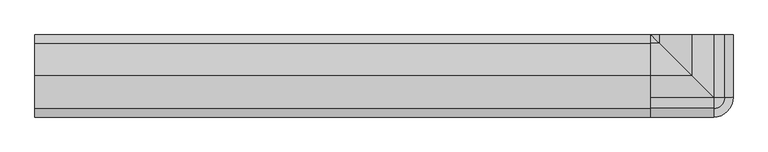
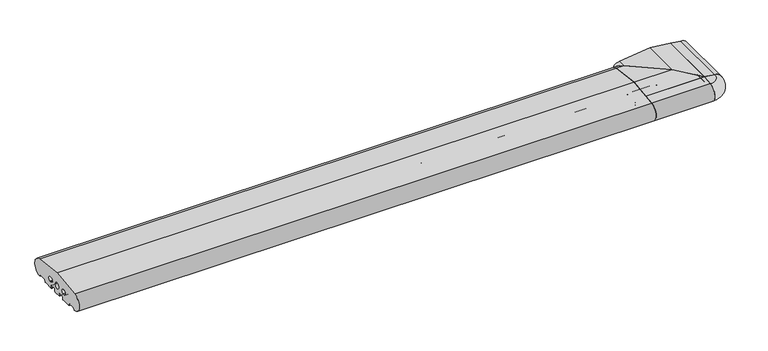
"""IFC4 building model written with IfcOpenShell, lengths in millimetres: proxy geometry."""

from ifc_helpers import new_model, si_unit, point, frame, frame_2d, origin, place, context, project, spatial, polyline, circle_curve, ellipse_curve, trimmed, segment, composite_curve, outline, extrude, source, transform, mapped, element, save
from ifc_brep_helpers import plane_surface, cylinder_surface, revolved_surface, advanced_brep


def generic_models_e143d6ee(model_context):
    return source(origin(), model_context, "Body", "SolidModel", [
        advanced_brep(
        [(1708.0, 50.0, 0.0), (1707.0, 50.0, 1.0), (1707.0, 50.0, 7.0), (1705.0, 50.0, 9.0), (1692.0, 50.0, 9.0), (1690.0, 50.0, 7.0), (1690.0, 50.0, 1.0), (1689.0, 50.0, 0.0), (1671.0, 50.0, 0.0), (1670.0, 50.0, 1.0), (1670.0, 50.0, 7.0), (1668.0, 50.0, 9.0), (1655.0, 50.0, 9.0), (1653.0, 50.0, 7.0), (1653.0, 50.0, 1.0), (1652.0, 50.0, 0.0), (1625.5773503, 50.0, 0.0), (1624.7113249, 50.0, 0.5), (1621.2472233, 50.0, 6.5), (1619.5151724, 50.0, 7.5), (1603.0414519, 50.0, 7.5), (1601.3094011, 50.0, 6.5), (1599.2927999, 50.0, 3.0071443), (1598.4018517, 50.0, 2.5074549), (1596.9141927, 50.0, 50.4091909), (1680.0, 50.0, 60.4), (1735.0, 50.0, 53.7864216), (1735.0, 50.0, 0.0), (1709.3659949, 50.0, 17.8353497), (1712.6340051, 50.0, 17.8353497), (1712.6340051, 50.0, 29.8353497), (1709.3659949, 50.0, 29.8353497), (1687.9623451, 50.0, 23.8353497), (1672.0376549, 50.0, 23.8353497), (1650.6340051, 50.0, 17.8353497), (1650.6340051, 50.0, 29.8353497), (1647.3659949, 50.0, 29.8353497), (1647.3659949, 50.0, 17.8353497), (1735.0, -110.0, 0.0), (1708.0, -83.0, 0.0), (1735.0, -110.0, 53.7864216), (1680.0, -55.0, 60.4), (1596.9141927, 28.0858073, 50.4091909), (1598.4018517, 26.5981483, 2.5074549), (1599.2927999, 25.7072001, 3.0071443), (1601.3094011, 23.6905989, 6.5), (1603.0414519, 21.9585481, 7.5), (1619.5151724, 5.4848276, 7.5), (1621.2472233, 3.7527767, 6.5), (1624.7113249, 0.2886751, 0.5), (1625.5773503, -0.5773503, 0.0), (1652.0, -27.0, 0.0), (1653.0, -28.0, 1.0), (1653.0, -28.0, 7.0), (1655.0, -30.0, 9.0), (1668.0, -43.0, 9.0), (1670.0, -45.0, 7.0), (1670.0, -45.0, 1.0), (1671.0, -46.0, 0.0), (1689.0, -64.0, 0.0), (1690.0, -65.0, 1.0), (1690.0, -65.0, 7.0), (1692.0, -67.0, 9.0), (1705.0, -80.0, 9.0), (1707.0, -82.0, 7.0), (1707.0, -82.0, 1.0), (1709.3659949, -84.3659949, 29.8353497), (1709.3659949, -84.3659949, 17.8353497), (1712.6340051, -87.6340051, 29.8353497), (1712.6340051, -87.6340051, 17.8353497), (1672.0376549, -47.0376549, 23.8353497), (1687.9623451, -62.9623451, 23.8353497), (1647.3659949, -22.3659949, 17.8353497), (1650.6340051, -25.6340051, 17.8353497), (1647.3659949, -22.3659949, 29.8353497), (1650.6340051, -25.6340051, 29.8353497)],
        [
            (0, 1, circle_curve(frame((1708.0, 50.0, 1.0), z_axis=(0.0, 1.0, 0.0), x_axis=(0.0, 0.0, -1.0)), 1.0)),
            (1, 2),
            (2, 3, circle_curve(frame((1705.0, 50.0, 7.0), z_axis=(0.0, -1.0, 0.0), x_axis=(1.0, 0.0, 0.0)), 2.0)),
            (3, 4),
            (4, 5, circle_curve(frame((1692.0, 50.0, 7.0), z_axis=(0.0, -1.0, 0.0), x_axis=(0.0, 0.0, 1.0)), 2.0)),
            (5, 6),
            (6, 7, circle_curve(frame((1689.0, 50.0, 1.0), z_axis=(0.0, 1.0, 0.0), x_axis=(1.0, 0.0, 0.0)), 1.0)),
            (7, 8),
            (8, 9, circle_curve(frame((1671.0, 50.0, 1.0), z_axis=(0.0, 1.0, 0.0), x_axis=(-1.0, 0.0, 0.0)), 1.0)),
            (9, 10),
            (10, 11, circle_curve(frame((1668.0, 50.0, 7.0), z_axis=(0.0, -1.0, 0.0), x_axis=(0.0, 0.0, 1.0)), 2.0)),
            (11, 12),
            (12, 13, circle_curve(frame((1655.0, 50.0, 7.0), z_axis=(0.0, -1.0, 0.0), x_axis=(-1.0, 0.0, 0.0)), 2.0)),
            (13, 14),
            (14, 15, circle_curve(frame((1652.0, 50.0, 1.0), z_axis=(0.0, 1.0, 0.0), x_axis=(0.0, 0.0, -1.0)), 1.0)),
            (15, 16),
            (16, 17, circle_curve(frame((1625.5773503, 50.0, 1.0), z_axis=(0.0, 1.0, 0.0), x_axis=(-0.8660254037844339, 0.0, -0.5000000000000082)), 1.0)),
            (17, 18),
            (18, 19, circle_curve(frame((1619.5151724, 50.0, 5.5), z_axis=(0.0, -1.0, 0.0), x_axis=(0.0, 0.0, 1.0)), 2.0)),
            (19, 20),
            (20, 21, circle_curve(frame((1603.0414519, 50.0, 5.5), z_axis=(0.0, -1.0, 0.0), x_axis=(-0.8660254037844379, 0.0, 0.5000000000000012)), 2.0)),
            (21, 22),
            (22, 23, circle_curve(frame((1598.4267745, 50.0, 3.5071443), z_axis=(0.0, 1.0, 0.0), x_axis=(-0.024922847684081085, 0.0, -0.999689377588517)), 1.0)),
            (23, 24, circle_curve(frame((1599.0, 50.0, 26.5), z_axis=(0.0, 1.0, 0.0), x_axis=(-0.08690863944627836, 0.0, 0.9962162859487877)), 24.0)),
            (24, 25),
            (25, 26),
            (26, 27),
            (27, 0),
            (28, 29),
            (29, 30, circle_curve(frame((1713.0037949, 50.0, 23.8353497), z_axis=(0.0, -1.0, 0.0), x_axis=(-0.061514911664663253, 0.0, -0.9981061645150223)), 6.0113846)),
            (30, 31),
            (31, 28, circle_curve(frame((1708.9962051, 50.0, 23.8353497), z_axis=(0.0, -1.0, 0.0), x_axis=(0.061514911664729485, 0.0, 0.9981061645150182)), 6.0113846)),
            (32, 33, circle_curve(frame((1680.0, 50.0, 23.8353497), z_axis=(0.0, -1.0, 0.0), x_axis=(-1.0, 0.0, 0.0)), 7.9623451)),
            (33, 32, circle_curve(frame((1680.0, 50.0, 23.8353497), z_axis=(0.0, -1.0, 0.0), x_axis=(-1.0, 0.0, 0.0)), 7.9623451)),
            (34, 35, circle_curve(frame((1651.0037949, 50.0, 23.8353497), z_axis=(0.0, -1.0, 0.0), x_axis=(-0.061514911664729485, 0.0, 0.9981061645150182)), 6.0113846)),
            (35, 36),
            (36, 37, circle_curve(frame((1646.9962051, 50.0, 23.8353497), z_axis=(0.0, -1.0, 0.0), x_axis=(0.061514911664663253, 0.0, -0.9981061645150223)), 6.0113846)),
            (37, 34),
            (27, 38),
            (38, 39),
            (39, 0),
            (26, 40),
            (40, 38),
            (25, 41),
            (41, 40),
            (24, 42),
            (42, 41),
            (23, 43),
            (43, 42, ellipse_curve(frame((1599.0, 26.0, 26.5), z_axis=(0.7071067811865491, 0.707106781186546, 0.0), x_axis=(0.707106781186546, -0.7071067811865491, 0.0)), 33.9411255, 24.0)),
            (22, 44),
            (44, 43, ellipse_curve(frame((1598.4267745, 26.5732255, 3.5071443), z_axis=(0.7071067811865491, 0.707106781186546, 0.0), x_axis=(0.707106781186546, -0.7071067811865491, 0.0)), 1.4142136, 1.0)),
            (21, 45),
            (45, 44),
            (20, 46),
            (46, 45, ellipse_curve(frame((1603.0414519, 21.9585481, 5.5), z_axis=(-0.7071067811865491, -0.707106781186546, 0.0), x_axis=(-0.707106781186546, 0.7071067811865491, 0.0)), 2.8284271, 2.0)),
            (19, 47),
            (47, 46),
            (18, 48),
            (48, 47, ellipse_curve(frame((1619.5151724, 5.4848276, 5.5), z_axis=(-0.7071067811865491, -0.707106781186546, 0.0), x_axis=(-0.707106781186546, 0.7071067811865491, 0.0)), 2.8284271, 2.0)),
            (17, 49),
            (49, 48),
            (16, 50),
            (50, 49, ellipse_curve(frame((1625.5773503, -0.5773503, 1.0), z_axis=(0.7071067811865491, 0.707106781186546, 0.0), x_axis=(0.707106781186546, -0.7071067811865491, 0.0)), 1.4142136, 1.0)),
            (15, 51),
            (51, 50),
            (14, 52),
            (52, 51, ellipse_curve(frame((1652.0, -27.0, 1.0), z_axis=(0.7071067811865491, 0.707106781186546, 0.0), x_axis=(0.707106781186546, -0.7071067811865491, 0.0)), 1.4142136, 1.0)),
            (13, 53),
            (53, 52),
            (12, 54),
            (54, 53, ellipse_curve(frame((1655.0, -30.0, 7.0), z_axis=(-0.7071067811865491, -0.707106781186546, 0.0), x_axis=(-0.707106781186546, 0.7071067811865491, 0.0)), 2.8284271, 2.0)),
            (11, 55),
            (55, 54),
            (10, 56),
            (56, 55, ellipse_curve(frame((1668.0, -43.0, 7.0), z_axis=(-0.7071067811865491, -0.707106781186546, 0.0), x_axis=(-0.707106781186546, 0.7071067811865491, 0.0)), 2.8284271, 2.0)),
            (9, 57),
            (57, 56),
            (8, 58),
            (58, 57, ellipse_curve(frame((1671.0, -46.0, 1.0), z_axis=(0.7071067811865491, 0.707106781186546, 0.0), x_axis=(0.707106781186546, -0.7071067811865491, 0.0)), 1.4142136, 1.0)),
            (7, 59),
            (59, 58),
            (6, 60),
            (60, 59, ellipse_curve(frame((1689.0, -64.0, 1.0), z_axis=(0.7071067811865491, 0.707106781186546, 0.0), x_axis=(0.707106781186546, -0.7071067811865491, 0.0)), 1.4142136, 1.0)),
            (5, 61),
            (61, 60),
            (4, 62),
            (62, 61, ellipse_curve(frame((1692.0, -67.0, 7.0), z_axis=(-0.7071067811865491, -0.707106781186546, 0.0), x_axis=(-0.707106781186546, 0.7071067811865491, 0.0)), 2.8284271, 2.0)),
            (3, 63),
            (63, 62),
            (2, 64),
            (64, 63, ellipse_curve(frame((1705.0, -80.0, 7.0), z_axis=(-0.7071067811865491, -0.707106781186546, 0.0), x_axis=(-0.707106781186546, 0.7071067811865491, 0.0)), 2.8284271, 2.0)),
            (1, 65),
            (65, 64),
            (39, 65, ellipse_curve(frame((1708.0, -83.0, 1.0), z_axis=(0.7071067811865491, 0.707106781186546, 0.0), x_axis=(0.707106781186546, -0.7071067811865491, 0.0)), 1.4142136, 1.0)),
            (31, 66),
            (66, 67, ellipse_curve(frame((1708.9962051, -83.9962051, 23.8353497), z_axis=(-0.7071067811865491, -0.707106781186546, 0.0), x_axis=(-0.707106781186546, 0.7071067811865491, 0.0)), 8.5013816, 6.0113846)),
            (67, 28),
            (30, 68),
            (68, 66),
            (29, 69),
            (69, 68, ellipse_curve(frame((1713.0037949, -88.0037949, 23.8353497), z_axis=(-0.7071067811865491, -0.707106781186546, 0.0), x_axis=(-0.707106781186546, 0.7071067811865491, 0.0)), 8.5013816, 6.0113846)),
            (67, 69),
            (33, 70),
            (70, 71, ellipse_curve(frame((1680.0, -55.0, 23.8353497), z_axis=(-0.7071067811865491, -0.707106781186546, 0.0), x_axis=(-0.707106781186546, 0.7071067811865491, 0.0)), 11.2604564, 7.9623451)),
            (71, 32),
            (71, 70, ellipse_curve(frame((1680.0, -55.0, 23.8353497), z_axis=(-0.7071067811865491, -0.707106781186546, 0.0), x_axis=(-0.707106781186546, 0.7071067811865491, 0.0)), 11.2604564, 7.9623451)),
            (37, 72),
            (72, 73),
            (73, 34),
            (36, 74),
            (74, 72, ellipse_curve(frame((1646.9962051, -21.9962051, 23.8353497), z_axis=(-0.7071067811865491, -0.707106781186546, 0.0), x_axis=(-0.707106781186546, 0.7071067811865491, 0.0)), 8.5013816, 6.0113846)),
            (35, 75),
            (75, 74),
            (73, 75, ellipse_curve(frame((1651.0037949, -26.0037949, 23.8353497), z_axis=(-0.7071067811865491, -0.707106781186546, 0.0), x_axis=(-0.707106781186546, 0.7071067811865491, 0.0)), 8.5013816, 6.0113846)),
        ],
        [
            plane_surface(frame((1625.0, 50.0, 0.0), z_axis=(0.0, 1.0, 0.0), x_axis=(0.0, 0.0, 1.0))),
            plane_surface(frame((1708.0, -110.0, 0.0), z_axis=(0.0, 0.0, -1.0), x_axis=(0.0, 1.0, 0.0))),
            plane_surface(frame((1735.0, -110.0, 0.0), z_axis=(1.0, 0.0, 0.0), x_axis=(0.0, 1.0, 0.0))),
            plane_surface(frame((1735.0, -110.0, 53.7864216), z_axis=(0.11938685218914781, 0.0, 0.9928478128718251), x_axis=(0.0, 1.0, 0.0))),
            plane_surface(frame((1680.0, -110.0, 60.4), z_axis=(-0.11938685218914852, 0.0, 0.992847812871825), x_axis=(0.0, 1.0, 0.0))),
            cylinder_surface(frame((1599.0, -110.0, 26.5), z_axis=(0.0, -1.0, 0.0), x_axis=(-0.08690863944627836, 0.0, 0.9962162859487877)), 24.0),
            cylinder_surface(frame((1598.4267745, -110.0, 3.5071443), z_axis=(0.0, -1.0000000000000002, 0.0), x_axis=(-0.024922847684081085, 0.0, -0.999689377588517)), 1.0),
            plane_surface(frame((1599.2927999, -110.0, 3.0071443), z_axis=(0.8660254037844368, 0.0, -0.5000000000000032), x_axis=(0.0, 1.0, 0.0))),
            revolved_surface(polyline([(1601.3094010924312, 50.0, 6.500000000000003), (1601.3094010924312, 19.958548117498196, 6.500000000000003)]), (1603.0414519, -110.0, 5.5), (0.0, 1.0, 0.0)),
            plane_surface(frame((1603.0414519, -110.0, 7.5), z_axis=(0.0, 0.0, -1.0), x_axis=(0.0, 1.0, 0.0))),
            revolved_surface(polyline([(1619.5151724, 50.0, 7.5), (1619.5151724, 3.4848276174981976, 7.5)]), (1619.5151724, -110.0, 5.5), (0.0, 1.0, 0.0)),
            plane_surface(frame((1621.2472233, -110.0, 6.5), z_axis=(-0.8660254037844349, 0.0, -0.5000000000000064), x_axis=(0.0, 1.0, 0.0))),
            cylinder_surface(frame((1625.5773503, -110.0, 1.0), z_axis=(0.0, -1.0, 0.0), x_axis=(-0.8660254037844339, 0.0, -0.5000000000000082)), 1.0),
            plane_surface(frame((1625.5773503, -110.0, 0.0), z_axis=(0.0, 0.0, -1.0), x_axis=(0.0, 1.0, 0.0))),
            cylinder_surface(frame((1652.0, -110.0, 1.0), z_axis=(0.0, -1.0, 0.0), x_axis=(0.0, 0.0, -1.0)), 1.0),
            plane_surface(frame((1653.0, -110.0, 1.0), z_axis=(1.0, 0.0, 0.0), x_axis=(0.0, 1.0, 0.0))),
            revolved_surface(polyline([(1653.0, 50.0, 7.0), (1653.0, -31.999999982501805, 7.0)]), (1655.0, -110.0, 7.0), (0.0, 1.0, 0.0)),
            plane_surface(frame((1655.0, -110.0, 9.0), z_axis=(0.0, 0.0, -1.0), x_axis=(0.0, 1.0, 0.0))),
            revolved_surface(polyline([(1668.0, 50.0, 9.0), (1668.0, -45.0, 9.0)]), (1668.0, -110.0, 7.0), (0.0, 1.0, 0.0)),
            plane_surface(frame((1670.0, -110.0, 7.0), z_axis=(-1.0, 0.0, 0.0), x_axis=(0.0, 1.0, 0.0))),
            cylinder_surface(frame((1671.0, -110.0, 1.0), z_axis=(0.0, -1.0, 0.0), x_axis=(-1.0, 0.0, 0.0)), 1.0),
            plane_surface(frame((1680.0, -110.0, 0.0), z_axis=(0.0, 0.0, -1.0), x_axis=(0.0, 1.0, 0.0))),
            cylinder_surface(frame((1689.0, -110.0, 1.0), z_axis=(0.0, -1.0, 0.0), x_axis=(1.0, 0.0, 0.0)), 1.0),
            plane_surface(frame((1690.0, -110.0, 1.0), z_axis=(1.0, 0.0, 0.0), x_axis=(0.0, 1.0, 0.0))),
            revolved_surface(polyline([(1692.0, 50.0, 9.0), (1692.0, -68.9999999825018, 9.0)]), (1692.0, -110.0, 7.0), (0.0, 1.0, 0.0)),
            plane_surface(frame((1692.0, -110.0, 9.0), z_axis=(0.0, 0.0, -1.0), x_axis=(0.0, 1.0, 0.0))),
            revolved_surface(polyline([(1707.0, 50.0, 7.0), (1707.0, -82.0, 7.0)]), (1705.0, -110.0, 7.0), (0.0, 1.0, 0.0)),
            plane_surface(frame((1707.0, -110.0, 7.0), z_axis=(-1.0, 0.0, 0.0), x_axis=(0.0, 1.0, 0.0))),
            cylinder_surface(frame((1708.0, -110.0, 1.0), z_axis=(0.0, -1.0, 0.0), x_axis=(0.0, 0.0, -1.0)), 1.0),
            revolved_surface(polyline([(1709.3659948926518, 50.0, 29.835349726530644), (1709.3659948926518, -90.00758967881455, 29.835349726530644)]), (1708.9962051, -110.0, 23.8353497), (0.0, 1.0, 0.0)),
            plane_surface(frame((1709.3659949, -110.0, 29.8353497), z_axis=(0.0, 0.0, -1.0), x_axis=(0.0, 1.0, 0.0))),
            revolved_surface(polyline([(1712.6340051073487, 50.00000000000006, 17.835349673469327), (1712.6340051073487, -94.01517947881456, 17.835349673469327)]), (1713.0037949, -110.0, 23.8353497), (0.0, 1.0000000000000002, 0.0)),
            plane_surface(frame((1712.6340051, -110.0, 17.8353497), z_axis=(0.0, 0.0, 1.0), x_axis=(0.0, 1.0, 0.0))),
            revolved_surface(polyline([(1672.0376549, 50.0, 23.8353497), (1672.0376549, -62.9623451, 23.8353497)]), (1680.0, -110.0, 23.8353497), (0.0, 1.0, 0.0)),
            plane_surface(frame((1650.6340051, -110.0, 17.8353497), z_axis=(0.0, 0.0, 1.0), x_axis=(0.0, 1.0, 0.0))),
            revolved_surface(polyline([(1647.3659948926513, 50.00000000000006, 17.835349673469327), (1647.3659948926513, -28.007589678814526, 17.835349673469327)]), (1646.9962051, -110.0, 23.8353497), (0.0, 1.0000000000000002, 0.0)),
            plane_surface(frame((1647.3659949, -110.0, 29.8353497), z_axis=(0.0, 0.0, -1.0), x_axis=(0.0, 1.0, 0.0))),
            revolved_surface(polyline([(1650.6340051073482, 50.0, 29.835349726530644), (1650.6340051073482, -32.01517947881456, 29.835349726530644)]), (1651.0037949, -110.0, 23.8353497), (0.0, 1.0, 0.0)),
            plane_surface(frame((1528.7899832, 96.2100168, 85.0), z_axis=(-0.7071067811865491, -0.707106781186546, 0.0), x_axis=(0.707106781186546, -0.7071067811865491, 0.0))),
        ],
        [
            (0, [[1, 2, 3, 4, 5, 6, 7, 8, 9, 10, 11, 12, 13, 14, 15, 16, 17, 18, 19, 20, 21, 22, 23, 24, 25, 26, 27, 28], [29, 30, 31, 32], [33, 34], [35, 36, 37, 38]]),
            (1, [[-28, 39, 40, 41]]),
            (2, [[-27, 42, 43, -39]]),
            (3, [[-26, 44, 45, -42]]),
            (4, [[-25, 46, 47, -44]]),
            (5, [[-24, 48, 49, -46]]),
            (6, [[-23, 50, 51, -48]]),
            (7, [[-22, 52, 53, -50]]),
            (8, [[-21, 54, 55, -52]]),
            (9, [[-20, 56, 57, -54]]),
            (10, [[-19, 58, 59, -56]]),
            (11, [[-18, 60, 61, -58]]),
            (12, [[-17, 62, 63, -60]]),
            (13, [[-16, 64, 65, -62]]),
            (14, [[-15, 66, 67, -64]]),
            (15, [[-14, 68, 69, -66]]),
            (16, [[-13, 70, 71, -68]]),
            (17, [[-12, 72, 73, -70]]),
            (18, [[-11, 74, 75, -72]]),
            (19, [[-10, 76, 77, -74]]),
            (20, [[-9, 78, 79, -76]]),
            (21, [[-8, 80, 81, -78]]),
            (22, [[-7, 82, 83, -80]]),
            (23, [[-6, 84, 85, -82]]),
            (24, [[-5, 86, 87, -84]]),
            (25, [[-4, 88, 89, -86]]),
            (26, [[-3, 90, 91, -88]]),
            (27, [[-2, 92, 93, -90]]),
            (28, [[-1, -41, 94, -92]]),
            (29, [[-32, 95, 96, 97]]),
            (30, [[-31, 98, 99, -95]]),
            (31, [[-30, 100, 101, -98]]),
            (32, [[-29, -97, 102, -100]]),
            (33, [[-34, 103, 104, 105]]),
            (33, [[-33, -105, 106, -103]]),
            (34, [[-38, 107, 108, 109]]),
            (35, [[-37, 110, 111, -107]]),
            (36, [[-36, 112, 113, -110]]),
            (37, [[-35, -109, 114, -112]]),
            (38, [[-40, -43, -45, -47, -49, -51, -53, -55, -57, -59, -61, -63, -65, -67, -69, -71, -73, -75, -77, -79, -81, -83, -85, -87, -89, -91, -93, -94], [-96, -99, -101, -102], [-104, -106], [-108, -111, -113, -114]]),
        ],
    ),
        advanced_brep(
        [(1575.0, -83.0, 0.0), (1575.0, -110.0, 0.0), (1575.0, -110.0, 53.7864216), (1575.0, -55.0, 60.4), (1575.0, 28.0858073, 50.4091909), (1575.0, 26.5981483, 2.5074549), (1575.0, 25.7072001, 3.0071443), (1575.0, 23.6905989, 6.5), (1575.0, 21.9585481, 7.5), (1575.0, 5.4848276, 7.5), (1575.0, 3.7527767, 6.5), (1575.0, 0.2886751, 0.5), (1575.0, -0.5773503, 0.0), (1575.0, -27.0, 0.0), (1575.0, -28.0, 1.0), (1575.0, -28.0, 7.0), (1575.0, -30.0, 9.0), (1575.0, -43.0, 9.0), (1575.0, -45.0, 7.0), (1575.0, -45.0, 1.0), (1575.0, -46.0, 0.0), (1575.0, -64.0, 0.0), (1575.0, -65.0, 1.0), (1575.0, -65.0, 7.0), (1575.0, -67.0, 9.0), (1575.0, -80.0, 9.0), (1575.0, -82.0, 7.0), (1575.0, -82.0, 1.0), (1575.0, -84.3659949, 17.8353497), (1575.0, -84.3659949, 29.8353497), (1575.0, -87.6340051, 29.8353497), (1575.0, -87.6340051, 17.8353497), (1575.0, -62.9623451, 23.8353497), (1575.0, -47.0376549, 23.8353497), (1575.0, -25.6340051, 17.8353497), (1575.0, -22.3659949, 17.8353497), (1575.0, -22.3659949, 29.8353497), (1575.0, -25.6340051, 29.8353497), (1735.0, -110.0, 53.7864216), (1680.0, -55.0, 60.4), (1596.9141927, 28.0858073, 50.4091909), (1735.0, -110.0, 0.0), (1625.5773503, -0.5773503, 0.0), (1652.0, -27.0, 0.0), (1653.0, -28.0, 1.0), (1653.0, -28.0, 7.0), (1655.0, -30.0, 9.0), (1668.0, -43.0, 9.0), (1670.0, -45.0, 7.0), (1670.0, -45.0, 1.0), (1671.0, -46.0, 0.0), (1689.0, -64.0, 0.0), (1690.0, -65.0, 1.0), (1690.0, -65.0, 7.0), (1692.0, -67.0, 9.0), (1705.0, -80.0, 9.0), (1707.0, -82.0, 7.0), (1707.0, -82.0, 1.0), (1708.0, -83.0, 0.0), (1709.3659949, -84.3659949, 17.8353497), (1709.3659949, -84.3659949, 29.8353497), (1712.6340051, -87.6340051, 29.8353497), (1712.6340051, -87.6340051, 17.8353497), (1687.9623451, -62.9623451, 23.8353497), (1672.0376549, -47.0376549, 23.8353497), (1650.6340051, -25.6340051, 17.8353497), (1647.3659949, -22.3659949, 17.8353497), (1647.3659949, -22.3659949, 29.8353497), (1650.6340051, -25.6340051, 29.8353497), (1598.4018517, 26.5981483, 2.5074549), (1599.2927999, 25.7072001, 3.0071443), (1601.3094011, 23.6905989, 6.5), (1603.0414519, 21.9585481, 7.5), (1619.5151724, 5.4848276, 7.5), (1621.2472233, 3.7527767, 6.5), (1624.7113249, 0.2886751, 0.5)],
        [
            (0, 1),
            (1, 2),
            (2, 3),
            (3, 4),
            (4, 5, circle_curve(frame((1575.0, 26.0, 26.5), z_axis=(-1.0, 0.0, 0.0), x_axis=(0.0, 0.08690863944627836, 0.9962162859487877)), 24.0)),
            (5, 6, circle_curve(frame((1575.0, 26.5732255, 3.5071443), z_axis=(-1.0, 0.0, 0.0), x_axis=(0.0, 0.024922847684081085, -0.999689377588517)), 1.0)),
            (6, 7),
            (7, 8, circle_curve(frame((1575.0, 21.9585481, 5.5), z_axis=(1.0, 0.0, 0.0), x_axis=(0.0, 0.8660254037844379, 0.5000000000000012)), 2.0)),
            (8, 9),
            (9, 10, circle_curve(frame((1575.0, 5.4848276, 5.5), z_axis=(1.0, 0.0, 0.0), x_axis=(0.0, 0.0, 1.0)), 2.0)),
            (10, 11),
            (11, 12, circle_curve(frame((1575.0, -0.5773503, 1.0), z_axis=(-1.0, 0.0, 0.0), x_axis=(0.0, 0.8660254037844339, -0.5000000000000082)), 1.0)),
            (12, 13),
            (13, 14, circle_curve(frame((1575.0, -27.0, 1.0), z_axis=(-1.0, 0.0, 0.0), x_axis=(0.0, 0.0, -1.0)), 1.0)),
            (14, 15),
            (15, 16, circle_curve(frame((1575.0, -30.0, 7.0), z_axis=(1.0, 0.0, 0.0), x_axis=(0.0, 1.0, 0.0)), 2.0)),
            (16, 17),
            (17, 18, circle_curve(frame((1575.0, -43.0, 7.0), z_axis=(1.0, 0.0, 0.0), x_axis=(0.0, 0.0, 1.0)), 2.0)),
            (18, 19),
            (19, 20, circle_curve(frame((1575.0, -46.0, 1.0), z_axis=(-1.0, 0.0, 0.0), x_axis=(0.0, 1.0, 0.0)), 1.0)),
            (20, 21),
            (21, 22, circle_curve(frame((1575.0, -64.0, 1.0), z_axis=(-1.0, 0.0, 0.0), x_axis=(0.0, -1.0, 0.0)), 1.0)),
            (22, 23),
            (23, 24, circle_curve(frame((1575.0, -67.0, 7.0), z_axis=(1.0, 0.0, 0.0), x_axis=(0.0, 0.0, 1.0)), 2.0)),
            (24, 25),
            (25, 26, circle_curve(frame((1575.0, -80.0, 7.0), z_axis=(1.0, 0.0, 0.0), x_axis=(0.0, -1.0, 0.0)), 2.0)),
            (26, 27),
            (27, 0, circle_curve(frame((1575.0, -83.0, 1.0), z_axis=(-1.0, 0.0, 0.0), x_axis=(0.0, 0.0, -1.0)), 1.0)),
            (28, 29, circle_curve(frame((1575.0, -83.9962051, 23.8353497), z_axis=(1.0, 0.0, 0.0), x_axis=(0.0, -0.061514911664729485, 0.9981061645150182)), 6.0113846)),
            (29, 30),
            (30, 31, circle_curve(frame((1575.0, -88.0037949, 23.8353497), z_axis=(1.0, 0.0, 0.0), x_axis=(0.0, 0.061514911664663253, -0.9981061645150223)), 6.0113846)),
            (31, 28),
            (32, 33, circle_curve(frame((1575.0, -55.0, 23.8353497), z_axis=(1.0, 0.0, 0.0), x_axis=(0.0, 1.0, 0.0)), 7.9623451)),
            (33, 32, circle_curve(frame((1575.0, -55.0, 23.8353497), z_axis=(1.0, 0.0, 0.0), x_axis=(0.0, 1.0, 0.0)), 7.9623451)),
            (34, 35),
            (35, 36, circle_curve(frame((1575.0, -21.9962051, 23.8353497), z_axis=(1.0, 0.0, 0.0), x_axis=(0.0, -0.061514911664663253, -0.9981061645150223)), 6.0113846)),
            (36, 37),
            (37, 34, circle_curve(frame((1575.0, -26.0037949, 23.8353497), z_axis=(1.0, 0.0, 0.0), x_axis=(0.0, 0.061514911664729485, 0.9981061645150182)), 6.0113846)),
            (2, 38),
            (38, 39),
            (39, 3),
            (39, 40),
            (40, 4),
            (1, 41),
            (41, 38),
            (12, 42),
            (42, 43),
            (43, 13),
            (43, 44, ellipse_curve(frame((1652.0, -27.0, 1.0), z_axis=(-0.7071067811865492, -0.7071067811865459, 0.0), x_axis=(-0.7071067811865458, 0.7071067811865492, 0.0)), 1.4142136, 1.0)),
            (44, 14),
            (44, 45),
            (45, 15),
            (45, 46, ellipse_curve(frame((1655.0, -30.0, 7.0), z_axis=(0.7071067811865492, 0.7071067811865459, 0.0), x_axis=(0.7071067811865458, -0.7071067811865492, 0.0)), 2.8284271, 2.0)),
            (46, 16),
            (46, 47),
            (47, 17),
            (47, 48, ellipse_curve(frame((1668.0, -43.0, 7.0), z_axis=(0.7071067811865492, 0.7071067811865459, 0.0), x_axis=(0.7071067811865458, -0.7071067811865492, 0.0)), 2.8284271, 2.0)),
            (48, 18),
            (48, 49),
            (49, 19),
            (49, 50, ellipse_curve(frame((1671.0, -46.0, 1.0), z_axis=(-0.7071067811865492, -0.7071067811865459, 0.0), x_axis=(-0.7071067811865458, 0.7071067811865492, 0.0)), 1.4142136, 1.0)),
            (50, 20),
            (50, 51),
            (51, 21),
            (51, 52, ellipse_curve(frame((1689.0, -64.0, 1.0), z_axis=(-0.7071067811865492, -0.7071067811865459, 0.0), x_axis=(-0.7071067811865458, 0.7071067811865492, 0.0)), 1.4142136, 1.0)),
            (52, 22),
            (52, 53),
            (53, 23),
            (53, 54, ellipse_curve(frame((1692.0, -67.0, 7.0), z_axis=(0.7071067811865492, 0.7071067811865459, 0.0), x_axis=(0.7071067811865458, -0.7071067811865492, 0.0)), 2.8284271, 2.0)),
            (54, 24),
            (54, 55),
            (55, 25),
            (55, 56, ellipse_curve(frame((1705.0, -80.0, 7.0), z_axis=(0.7071067811865492, 0.7071067811865459, 0.0), x_axis=(0.7071067811865458, -0.7071067811865492, 0.0)), 2.8284271, 2.0)),
            (56, 26),
            (56, 57),
            (57, 27),
            (57, 58, ellipse_curve(frame((1708.0, -83.0, 1.0), z_axis=(-0.7071067811865492, -0.7071067811865459, 0.0), x_axis=(-0.7071067811865458, 0.7071067811865492, 0.0)), 1.4142136, 1.0)),
            (58, 0),
            (58, 41),
            (28, 59),
            (59, 60, ellipse_curve(frame((1708.9962051, -83.9962051, 23.8353497), z_axis=(0.7071067811865492, 0.7071067811865459, 0.0), x_axis=(0.7071067811865458, -0.7071067811865492, 0.0)), 8.5013816, 6.0113846)),
            (60, 29),
            (60, 61),
            (61, 30),
            (61, 62, ellipse_curve(frame((1713.0037949, -88.0037949, 23.8353497), z_axis=(0.7071067811865492, 0.7071067811865459, 0.0), x_axis=(0.7071067811865458, -0.7071067811865492, 0.0)), 8.5013816, 6.0113846)),
            (62, 31),
            (62, 59),
            (32, 63),
            (63, 64, ellipse_curve(frame((1680.0, -55.0, 23.8353497), z_axis=(0.7071067811865492, 0.7071067811865459, 0.0), x_axis=(0.7071067811865458, -0.7071067811865492, 0.0)), 11.2604564, 7.9623451)),
            (64, 33),
            (64, 63, ellipse_curve(frame((1680.0, -55.0, 23.8353497), z_axis=(0.7071067811865492, 0.7071067811865459, 0.0), x_axis=(0.7071067811865458, -0.7071067811865492, 0.0)), 11.2604564, 7.9623451)),
            (34, 65),
            (65, 66),
            (66, 35),
            (66, 67, ellipse_curve(frame((1646.9962051, -21.9962051, 23.8353497), z_axis=(0.7071067811865492, 0.7071067811865459, 0.0), x_axis=(0.7071067811865458, -0.7071067811865492, 0.0)), 8.5013816, 6.0113846)),
            (67, 36),
            (67, 68),
            (68, 37),
            (68, 65, ellipse_curve(frame((1651.0037949, -26.0037949, 23.8353497), z_axis=(0.7071067811865492, 0.7071067811865459, 0.0), x_axis=(0.7071067811865458, -0.7071067811865492, 0.0)), 8.5013816, 6.0113846)),
            (40, 69, ellipse_curve(frame((1599.0, 26.0, 26.5), z_axis=(-0.7071067811865492, -0.7071067811865459, 0.0), x_axis=(-0.7071067811865458, 0.7071067811865492, 0.0)), 33.9411255, 24.0)),
            (69, 5),
            (69, 70, ellipse_curve(frame((1598.4267745, 26.5732255, 3.5071443), z_axis=(-0.7071067811865492, -0.7071067811865459, 0.0), x_axis=(-0.7071067811865458, 0.7071067811865492, 0.0)), 1.4142136, 1.0)),
            (70, 6),
            (70, 71),
            (71, 7),
            (71, 72, ellipse_curve(frame((1603.0414519, 21.9585481, 5.5), z_axis=(0.7071067811865492, 0.7071067811865459, 0.0), x_axis=(0.7071067811865458, -0.7071067811865492, 0.0)), 2.8284271, 2.0)),
            (72, 8),
            (72, 73),
            (73, 9),
            (73, 74, ellipse_curve(frame((1619.5151724, 5.4848276, 5.5), z_axis=(0.7071067811865492, 0.7071067811865459, 0.0), x_axis=(0.7071067811865458, -0.7071067811865492, 0.0)), 2.8284271, 2.0)),
            (74, 10),
            (74, 75),
            (75, 11),
            (75, 42, ellipse_curve(frame((1625.5773503, -0.5773503, 1.0), z_axis=(-0.7071067811865492, -0.7071067811865459, 0.0), x_axis=(-0.7071067811865458, 0.7071067811865492, 0.0)), 1.4142136, 1.0)),
        ],
        [
            plane_surface(frame((1575.0, 0.0, 0.0), z_axis=(-1.0, 0.0, 0.0), x_axis=(0.0, 0.0, 1.0))),
            plane_surface(frame((1575.0, -110.0, 53.7864216), z_axis=(0.0, -0.11938685218914781, 0.9928478128718251), x_axis=(1.0, 0.0, 0.0))),
            plane_surface(frame((1575.0, -55.0, 60.4), z_axis=(0.0, 0.11938685218914852, 0.992847812871825), x_axis=(1.0, 0.0, 0.0))),
            plane_surface(frame((1575.0, -110.0, 0.0), z_axis=(0.0, -1.0, 0.0), x_axis=(1.0, 0.0, 0.0))),
            plane_surface(frame((1575.0, -0.5773503, 0.0), z_axis=(0.0, 0.0, -1.0), x_axis=(1.0, 0.0, 0.0))),
            cylinder_surface(frame((1575.0, -27.0, 1.0), z_axis=(-1.0, 0.0, 0.0), x_axis=(0.0, 0.0, -1.0)), 1.0),
            plane_surface(frame((1575.0, -28.0, 1.0), z_axis=(0.0, -1.0, 0.0), x_axis=(1.0, 0.0, 0.0))),
            revolved_surface(polyline([(1656.9999999825018, -28.0, 7.0), (1575.0, -28.0, 7.0)]), (1575.0, -30.0, 7.0), (1.0, 0.0, 0.0)),
            plane_surface(frame((1575.0, -30.0, 9.0), z_axis=(0.0, 0.0, -1.0), x_axis=(1.0, 0.0, 0.0))),
            revolved_surface(polyline([(1670.0, -43.0, 9.0), (1575.0, -43.0, 9.0)]), (1575.0, -43.0, 7.0), (1.0, 0.0, 0.0)),
            plane_surface(frame((1575.0, -45.0, 7.0), z_axis=(0.0, 1.0, 0.0), x_axis=(1.0, 0.0, 0.0))),
            cylinder_surface(frame((1575.0, -46.0, 1.0), z_axis=(-1.0, 0.0, 0.0), x_axis=(0.0, 1.0, 0.0)), 1.0),
            plane_surface(frame((1575.0, -55.0, 0.0), z_axis=(0.0, 0.0, -1.0), x_axis=(1.0, 0.0, 0.0))),
            cylinder_surface(frame((1575.0, -64.0, 1.0), z_axis=(-1.0, 0.0, 0.0), x_axis=(0.0, -1.0, 0.0)), 1.0),
            plane_surface(frame((1575.0, -65.0, 1.0), z_axis=(0.0, -1.0, 0.0), x_axis=(1.0, 0.0, 0.0))),
            revolved_surface(polyline([(1693.9999999825018, -67.0, 9.0), (1575.0, -67.0, 9.0)]), (1575.0, -67.0, 7.0), (1.0, 0.0, 0.0)),
            plane_surface(frame((1575.0, -67.0, 9.0), z_axis=(0.0, 0.0, -1.0), x_axis=(1.0, 0.0, 0.0))),
            revolved_surface(polyline([(1707.0, -82.0, 7.0), (1575.0, -82.0, 7.0)]), (1575.0, -80.0, 7.0), (1.0, 0.0, 0.0)),
            plane_surface(frame((1575.0, -82.0, 7.0), z_axis=(0.0, 1.0, 0.0), x_axis=(1.0, 0.0, 0.0))),
            cylinder_surface(frame((1575.0, -83.0, 1.0), z_axis=(-1.0, 0.0, 0.0), x_axis=(0.0, 0.0, -1.0)), 1.0),
            plane_surface(frame((1575.0, -83.0, 0.0), z_axis=(0.0, 0.0, -1.0), x_axis=(1.0, 0.0, 0.0))),
            revolved_surface(polyline([(1715.0075896788146, -84.36599489265171, 29.835349726530644), (1575.0, -84.36599489265171, 29.835349726530644)]), (1575.0, -83.9962051, 23.8353497), (1.0, 0.0, 0.0)),
            plane_surface(frame((1575.0, -84.3659949, 29.8353497), z_axis=(0.0, 0.0, -1.0), x_axis=(1.0, 0.0, 0.0))),
            revolved_surface(polyline([(1719.0151794788146, -87.63400510734868, 17.835349673469327), (1575.0, -87.63400510734868, 17.835349673469327)]), (1575.0, -88.0037949, 23.8353497), (1.0000000000000002, 0.0, 0.0)),
            plane_surface(frame((1575.0, -87.6340051, 17.8353497), z_axis=(0.0, 0.0, 1.0), x_axis=(1.0, 0.0, 0.0))),
            revolved_surface(polyline([(1687.9623451, -47.0376549, 23.8353497), (1575.0, -47.0376549, 23.8353497)]), (1575.0, -55.0, 23.8353497), (1.0, 0.0, 0.0)),
            plane_surface(frame((1575.0, -25.6340051, 17.8353497), z_axis=(0.0, 0.0, 1.0), x_axis=(1.0, 0.0, 0.0))),
            revolved_surface(polyline([(1653.0075896788146, -22.36599489265132, 17.835349673469327), (1575.0, -22.36599489265132, 17.835349673469327)]), (1575.0, -21.9962051, 23.8353497), (1.0000000000000002, 0.0, 0.0)),
            plane_surface(frame((1575.0, -22.3659949, 29.8353497), z_axis=(0.0, 0.0, -1.0), x_axis=(1.0, 0.0, 0.0))),
            revolved_surface(polyline([(1657.0151794788146, -25.634005107348283, 29.835349726530644), (1575.0, -25.634005107348283, 29.835349726530644)]), (1575.0, -26.0037949, 23.8353497), (1.0, 0.0, 0.0)),
            cylinder_surface(frame((1575.0, 26.0, 26.5), z_axis=(-1.0, 0.0, 0.0), x_axis=(0.0, 0.08690863944627836, 0.9962162859487877)), 24.0),
            cylinder_surface(frame((1575.0, 26.5732255, 3.5071443), z_axis=(-1.0000000000000002, 0.0, 0.0), x_axis=(0.0, 0.024922847684081085, -0.999689377588517)), 1.0),
            plane_surface(frame((1575.0, 25.7072001, 3.0071443), z_axis=(0.0, -0.8660254037844368, -0.5000000000000032), x_axis=(1.0, 0.0, 0.0))),
            revolved_surface(polyline([(1605.0414518825019, 23.690598907568877, 6.500000000000003), (1575.0, 23.690598907568877, 6.500000000000003)]), (1575.0, 21.9585481, 5.5), (1.0, 0.0, 0.0)),
            plane_surface(frame((1575.0, 21.9585481, 7.5), z_axis=(0.0, 0.0, -1.0), x_axis=(1.0, 0.0, 0.0))),
            revolved_surface(polyline([(1621.5151723825018, 5.4848276, 7.5), (1575.0, 5.4848276, 7.5)]), (1575.0, 5.4848276, 5.5), (1.0, 0.0, 0.0)),
            plane_surface(frame((1575.0, 3.7527767, 6.5), z_axis=(0.0, 0.8660254037844349, -0.5000000000000064), x_axis=(1.0, 0.0, 0.0))),
            cylinder_surface(frame((1575.0, -0.5773503, 1.0), z_axis=(-1.0, 0.0, 0.0), x_axis=(0.0, 0.8660254037844339, -0.5000000000000082)), 1.0),
            plane_surface(frame((1523.587409, 101.412591, 0.0), z_axis=(0.7071067811865492, 0.7071067811865459, 0.0), x_axis=(0.7071067811865459, -0.7071067811865492, 0.0))),
        ],
        [
            (0, [[1, 2, 3, 4, 5, 6, 7, 8, 9, 10, 11, 12, 13, 14, 15, 16, 17, 18, 19, 20, 21, 22, 23, 24, 25, 26, 27, 28], [29, 30, 31, 32], [33, 34], [35, 36, 37, 38]]),
            (1, [[-3, 39, 40, 41]]),
            (2, [[-4, -41, 42, 43]]),
            (3, [[-2, 44, 45, -39]]),
            (4, [[-13, 46, 47, 48]]),
            (5, [[-14, -48, 49, 50]]),
            (6, [[-15, -50, 51, 52]]),
            (7, [[-16, -52, 53, 54]]),
            (8, [[-17, -54, 55, 56]]),
            (9, [[-18, -56, 57, 58]]),
            (10, [[-19, -58, 59, 60]]),
            (11, [[-20, -60, 61, 62]]),
            (12, [[-21, -62, 63, 64]]),
            (13, [[-22, -64, 65, 66]]),
            (14, [[-23, -66, 67, 68]]),
            (15, [[-24, -68, 69, 70]]),
            (16, [[-25, -70, 71, 72]]),
            (17, [[-26, -72, 73, 74]]),
            (18, [[-27, -74, 75, 76]]),
            (19, [[-28, -76, 77, 78]]),
            (20, [[-1, -78, 79, -44]]),
            (21, [[-29, 80, 81, 82]]),
            (22, [[-30, -82, 83, 84]]),
            (23, [[-31, -84, 85, 86]]),
            (24, [[-32, -86, 87, -80]]),
            (25, [[-33, 88, 89, 90]]),
            (25, [[-34, -90, 91, -88]]),
            (26, [[-35, 92, 93, 94]]),
            (27, [[-36, -94, 95, 96]]),
            (28, [[-37, -96, 97, 98]]),
            (29, [[-38, -98, 99, -92]]),
            (30, [[-5, -43, 100, 101]]),
            (31, [[-6, -101, 102, 103]]),
            (32, [[-7, -103, 104, 105]]),
            (33, [[-8, -105, 106, 107]]),
            (34, [[-9, -107, 108, 109]]),
            (35, [[-10, -109, 110, 111]]),
            (36, [[-11, -111, 112, 113]]),
            (37, [[-12, -113, 114, -46]]),
            (38, [[-40, -45, -79, -77, -75, -73, -71, -69, -67, -65, -63, -61, -59, -57, -55, -53, -51, -49, -47, -114, -112, -110, -108, -106, -104, -102, -100, -42], [-81, -87, -85, -83], [-89, -91], [-93, -99, -97, -95]]),
        ],
    ),
        extrude(outline(composite_curve([segment(trimmed(circle_curve(frame_2d((26.5, 1761.0)), 24.0), [point((2.5074549, 1761.5981483))], [point((50.4091909, 1763.0858073))], False, "CARTESIAN"), True, "CONTINUOUS"), segment(polyline([(50.4091909, 1763.0858073), (53.7462575, 1735.0), (0.0, 1735.0), (6.5, 1738.7527767)]), True, "CONTINUOUS"), segment(trimmed(circle_curve(frame_2d((5.5, 1740.4848276)), 2.0), [point((6.5, 1738.7527767))], [point((7.5, 1740.4848276))], True, "CARTESIAN"), True, "CONTINUOUS"), segment(polyline([(7.5, 1740.4848276), (7.5, 1756.9585481)]), True, "CONTINUOUS"), segment(trimmed(circle_curve(frame_2d((5.5, 1756.9585481)), 2.0), [point((7.5, 1756.9585481))], [point((6.5, 1758.6905989))], True, "CARTESIAN"), True, "CONTINUOUS"), segment(polyline([(6.5, 1758.6905989), (3.0071443, 1760.7072001)]), True, "CONTINUOUS"), segment(trimmed(circle_curve(frame_2d((3.5071443, 1761.5732255)), 1.0), [point((3.0071443, 1760.7072001))], [point((2.5074549, 1761.5981483))], False, "CARTESIAN"), True, "CONTINUOUS")], self_intersect=False)), frame((0.0, -110.0, 0.0), z_axis=(0.0, 1.0, 0.0), x_axis=(0.0, 0.0, 1.0)), (0.0, 0.0, 1.0), 160.0),
        extrude(outline(composite_curve([segment(trimmed(circle_curve(frame_2d((-136.0, 26.5)), 24.0), [point((-136.5981483, 2.5074549))], [point((-138.0858073, 50.4091909))], False, "CARTESIAN"), True, "CONTINUOUS"), segment(polyline([(-138.0858073, 50.4091909), (-110.0, 53.7462575), (-110.0, 0.0), (-113.7527767, 6.5)]), True, "CONTINUOUS"), segment(trimmed(circle_curve(frame_2d((-115.4848276, 5.5)), 2.0), [point((-113.7527767, 6.5))], [point((-115.4848276, 7.5))], True, "CARTESIAN"), True, "CONTINUOUS"), segment(polyline([(-115.4848276, 7.5), (-131.9585481, 7.5)]), True, "CONTINUOUS"), segment(trimmed(circle_curve(frame_2d((-131.9585481, 5.5)), 2.0), [point((-131.9585481, 7.5))], [point((-133.6905989, 6.5))], True, "CARTESIAN"), True, "CONTINUOUS"), segment(polyline([(-133.6905989, 6.5), (-135.7072001, 3.0071443)]), True, "CONTINUOUS"), segment(trimmed(circle_curve(frame_2d((-136.5732255, 3.5071443)), 1.0), [point((-135.7072001, 3.0071443))], [point((-136.5981483, 2.5074549))], False, "CARTESIAN"), True, "CONTINUOUS")], self_intersect=False)), frame((1575.0, 0.0, 0.0), z_axis=(1.0, 0.0, 0.0), x_axis=(0.0, 1.0, 0.0)), (0.0, 0.0, 1.0), 160.0),
        advanced_brep(
        [(1735.0, -138.0858073, 50.4091909), (1735.0, -110.0, 53.7462575), (1735.0, -110.0, 0.0), (1735.0, -113.7527767, 6.5), (1735.0, -115.4848276, 7.5), (1735.0, -131.9585481, 7.5), (1735.0, -133.6905989, 6.5), (1735.0, -135.7072001, 3.0071443), (1735.0, -136.5981483, 2.5074549), (1763.0858073, -110.0, 50.4091909), (1761.5981483, -110.0, 2.5074549), (1760.7072001, -110.0, 3.0071443), (1758.6905989, -110.0, 6.5), (1756.9585481, -110.0, 7.5), (1740.4848276, -110.0, 7.5), (1738.7527767, -110.0, 6.5)],
        [
            (0, 1),
            (1, 2),
            (2, 3),
            (3, 4, circle_curve(frame((1735.0, -115.4848276, 5.5), z_axis=(1.0, 0.0, 0.0), x_axis=(0.0, 0.0, 1.0)), 2.0)),
            (4, 5),
            (5, 6, circle_curve(frame((1735.0, -131.9585481, 5.5), z_axis=(1.0, 0.0, 0.0), x_axis=(0.0, -0.8660254037844379, 0.5000000000000012)), 2.0)),
            (6, 7),
            (7, 8, circle_curve(frame((1735.0, -136.5732255, 3.5071443), z_axis=(-1.0000000000000002, 0.0, 0.0), x_axis=(0.0, -0.02492284768408108, -0.9996893775885168)), 1.0)),
            (8, 0, circle_curve(frame((1735.0, -136.0, 26.5), z_axis=(-1.0, 0.0, 0.0), x_axis=(0.0, -0.08690863944627836, 0.9962162859487877)), 24.0)),
            (9, 10, circle_curve(frame((1761.0, -110.0, 26.5), z_axis=(0.0, 1.0, 0.0), x_axis=(0.08690863944627661, 0.0, 0.9962162859487879)), 24.0)),
            (10, 11, circle_curve(frame((1761.5732255, -110.0, 3.5071443), z_axis=(0.0, 1.0000000000000002, 0.0), x_axis=(0.02492284768408283, 0.0, -0.9996893775885168)), 1.0)),
            (11, 12),
            (12, 13, circle_curve(frame((1756.9585481, -110.0, 5.5), z_axis=(0.0, -1.0, 0.0), x_axis=(0.866025403784437, 0.0, 0.5000000000000028)), 2.0)),
            (13, 14),
            (14, 15, circle_curve(frame((1740.4848276, -110.0, 5.5), z_axis=(0.0, -1.0, 0.0), x_axis=(0.0, 0.0, 1.0)), 2.0)),
            (15, 2),
            (1, 9),
            (0, 9, circle_curve(frame((1735.0, -110.0, 50.4091909), z_axis=(0.0, 0.0, 1.0), x_axis=(0.0, -1.0, 0.0)), 28.0858073)),
            (15, 3, circle_curve(frame((1735.0, -110.0, 6.5), z_axis=(0.0, 0.0, -1.0), x_axis=(0.0, -1.0, 0.0)), 3.7527767)),
            (14, 4, circle_curve(frame((1735.0, -110.0, 7.5), z_axis=(0.0, 0.0, -1.0), x_axis=(0.0, -1.0, 0.0)), 5.4848276)),
            (13, 5, circle_curve(frame((1735.0, -110.0, 7.5), z_axis=(0.0, 0.0, -1.0), x_axis=(0.0, -1.0, 0.0)), 21.9585481)),
            (12, 6, circle_curve(frame((1735.0, -110.0, 6.5), z_axis=(0.0, 0.0, -1.0), x_axis=(0.0, -1.0, 0.0)), 23.6905989)),
            (11, 7, circle_curve(frame((1735.0, -110.0, 3.0071443), z_axis=(0.0, 0.0, -1.0), x_axis=(0.0, -1.0, 0.0)), 25.7072001)),
            (10, 8, circle_curve(frame((1735.0, -110.0, 2.5074549), z_axis=(0.0, 0.0, -1.0), x_axis=(0.0, -1.0, 0.0)), 26.5981483)),
        ],
        [
            plane_surface(frame((1735.0, -110.0, 53.7462575), z_axis=(-1.0, 0.0, 0.0), x_axis=(0.0, -1.0, 0.0))),
            plane_surface(frame((1735.0, -110.0, 53.7462575), z_axis=(0.0, 1.0, 0.0), x_axis=(1.0, 0.0, 0.0))),
            revolved_surface(polyline([(1735.0, -110.0, 53.7462575), (1735.0, -138.0858073, 50.4091909)]), (1735.0, -110.0, 53.7462575), (0.0, 0.0, -1.0)),
            revolved_surface(polyline([(1735.0, -113.7527767, 6.5), (1735.0, -110.0, 0.0)]), (1735.0, -110.0, 53.7462575), (0.0, 0.0, -1.0)),
            revolved_surface(trimmed(ellipse_curve(frame((1735.0, -115.4848276, 5.5), z_axis=(-1.0, 0.0, 0.0), x_axis=(0.0, 0.0, 1.0)), 2.0, 2.0), [point((1735.0, -115.4848276, 7.5))], [point((1735.0, -113.7527767, 6.5))], True, "CARTESIAN"), (1735.0, -110.0, 53.7462575), (0.0, 0.0, -1.0)),
            plane_surface(frame((1735.0, -110.0, 7.5), z_axis=(0.0, 0.0, -1.0), x_axis=(0.0, -1.0, 0.0))),
            revolved_surface(trimmed(ellipse_curve(frame((1735.0, -131.9585481, 5.5), z_axis=(-1.0, 0.0, 0.0), x_axis=(0.0, -0.8660254037844379, 0.5000000000000012)), 2.0, 2.0), [point((1735.0, -133.6905989, 6.5))], [point((1735.0, -131.9585481, 7.5))], True, "CARTESIAN"), (1735.0, -110.0, 53.7462575), (0.0, 0.0, -1.0)),
            revolved_surface(polyline([(1735.0, -135.7072001, 3.0071443), (1735.0, -133.6905989, 6.5)]), (1735.0, -110.0, 53.7462575), (0.0, 0.0, -1.0)),
            revolved_surface(trimmed(ellipse_curve(frame((1735.0, -136.5732255, 3.5071443), z_axis=(1.0000000000000002, 0.0, 0.0), x_axis=(0.0, -0.02492284768408108, -0.9996893775885168)), 1.0, 1.0), [point((1735.0, -136.5981483, 2.5074549))], [point((1735.0, -135.7072001, 3.0071443))], True, "CARTESIAN"), (1735.0, -110.0, 53.7462575), (0.0, 0.0, -1.0)),
            revolved_surface(trimmed(ellipse_curve(frame((1735.0, -136.0, 26.5), z_axis=(1.0, 0.0, 0.0), x_axis=(0.0, -0.08690863944627836, 0.9962162859487877)), 24.0, 24.0), [point((1735.0, -138.0858073, 50.4091909))], [point((1735.0, -136.5981483, 2.5074549))], True, "CARTESIAN"), (1735.0, -110.0, 53.7462575), (0.0, 0.0, -1.0)),
        ],
        [
            (0, [[1, 2, 3, 4, 5, 6, 7, 8, 9]]),
            (1, [[10, 11, 12, 13, 14, 15, 16, -2, 17]]),
            (2, [[-1, 18, -17]]),
            (3, [[19, -3, -16]]),
            (4, [[20, -4, -19, -15]]),
            (5, [[21, -5, -20, -14]]),
            (6, [[22, -6, -21, -13]]),
            (7, [[23, -7, -22, -12]]),
            (8, [[24, -8, -23, -11]]),
            (9, [[-18, -9, -24, -10]]),
        ],
    ),
        extrude(outline(composite_curve([segment(trimmed(circle_curve(frame_2d((-136.0, 26.5)), 24.0), [point((-136.5981483, 2.5074549))], [point((-138.0858073, 50.4091909))], False, "CARTESIAN"), True, "CONTINUOUS"), segment(polyline([(-138.0858073, 50.4091909), (-55.0, 60.4), (28.0858073, 50.4091909)]), True, "CONTINUOUS"), segment(trimmed(circle_curve(frame_2d((26.0, 26.5)), 24.0), [point((28.0858073, 50.4091909))], [point((26.5981483, 2.5074549))], False, "CARTESIAN"), True, "CONTINUOUS"), segment(trimmed(circle_curve(frame_2d((26.5732255, 3.5071443)), 1.0), [point((26.5981483, 2.5074549))], [point((25.7072001, 3.0071443))], False, "CARTESIAN"), True, "CONTINUOUS"), segment(polyline([(25.7072001, 3.0071443), (23.6905989, 6.5)]), True, "CONTINUOUS"), segment(trimmed(circle_curve(frame_2d((21.9585481, 5.5)), 2.0), [point((23.6905989, 6.5))], [point((21.9585481, 7.5))], True, "CARTESIAN"), True, "CONTINUOUS"), segment(polyline([(21.9585481, 7.5), (5.4848276, 7.5)]), True, "CONTINUOUS"), segment(trimmed(circle_curve(frame_2d((5.4848276, 5.5)), 2.0), [point((5.4848276, 7.5))], [point((3.7527767, 6.5))], True, "CARTESIAN"), True, "CONTINUOUS"), segment(polyline([(3.7527767, 6.5), (0.2886751, 0.5)]), True, "CONTINUOUS"), segment(trimmed(circle_curve(frame_2d((-0.5773503, 1.0)), 1.0), [point((0.2886751, 0.5))], [point((-0.5773503, 0.0))], False, "CARTESIAN"), True, "CONTINUOUS"), segment(polyline([(-0.5773503, 0.0), (-27.0, 0.0)]), True, "CONTINUOUS"), segment(trimmed(circle_curve(frame_2d((-27.0, 1.0)), 1.0), [point((-27.0, 0.0))], [point((-28.0, 1.0))], False, "CARTESIAN"), True, "CONTINUOUS"), segment(polyline([(-28.0, 1.0), (-28.0, 7.0)]), True, "CONTINUOUS"), segment(trimmed(circle_curve(frame_2d((-30.0, 7.0)), 2.0), [point((-28.0, 7.0))], [point((-30.0, 9.0))], True, "CARTESIAN"), True, "CONTINUOUS"), segment(polyline([(-30.0, 9.0), (-43.0, 9.0)]), True, "CONTINUOUS"), segment(trimmed(circle_curve(frame_2d((-43.0, 7.0)), 2.0), [point((-43.0, 9.0))], [point((-45.0, 7.0))], True, "CARTESIAN"), True, "CONTINUOUS"), segment(polyline([(-45.0, 7.0), (-45.0, 1.0)]), True, "CONTINUOUS"), segment(trimmed(circle_curve(frame_2d((-46.0, 1.0)), 1.0), [point((-45.0, 1.0))], [point((-46.0, 0.0))], False, "CARTESIAN"), True, "CONTINUOUS"), segment(polyline([(-46.0, 0.0), (-64.0, 0.0)]), True, "CONTINUOUS"), segment(trimmed(circle_curve(frame_2d((-64.0, 1.0)), 1.0), [point((-64.0, 0.0))], [point((-65.0, 1.0))], False, "CARTESIAN"), True, "CONTINUOUS"), segment(polyline([(-65.0, 1.0), (-65.0, 7.0)]), True, "CONTINUOUS"), segment(trimmed(circle_curve(frame_2d((-67.0, 7.0)), 2.0), [point((-65.0, 7.0))], [point((-67.0, 9.0))], True, "CARTESIAN"), True, "CONTINUOUS"), segment(polyline([(-67.0, 9.0), (-80.0, 9.0)]), True, "CONTINUOUS"), segment(trimmed(circle_curve(frame_2d((-80.0, 7.0)), 2.0), [point((-80.0, 9.0))], [point((-82.0, 7.0))], True, "CARTESIAN"), True, "CONTINUOUS"), segment(polyline([(-82.0, 7.0), (-82.0, 1.0)]), True, "CONTINUOUS"), segment(trimmed(circle_curve(frame_2d((-83.0, 1.0)), 1.0), [point((-82.0, 1.0))], [point((-83.0, 0.0))], False, "CARTESIAN"), True, "CONTINUOUS"), segment(polyline([(-83.0, 0.0), (-109.4226497, 0.0)]), True, "CONTINUOUS"), segment(trimmed(circle_curve(frame_2d((-109.4226497, 1.0)), 1.0), [point((-109.4226497, 0.0))], [point((-110.2886751, 0.5))], False, "CARTESIAN"), True, "CONTINUOUS"), segment(polyline([(-110.2886751, 0.5), (-113.7527767, 6.5)]), True, "CONTINUOUS"), segment(trimmed(circle_curve(frame_2d((-115.4848276, 5.5)), 2.0), [point((-113.7527767, 6.5))], [point((-115.4848276, 7.5))], True, "CARTESIAN"), True, "CONTINUOUS"), segment(polyline([(-115.4848276, 7.5), (-131.9585481, 7.5)]), True, "CONTINUOUS"), segment(trimmed(circle_curve(frame_2d((-131.9585481, 5.5)), 2.0), [point((-131.9585481, 7.5))], [point((-133.6905989, 6.5))], True, "CARTESIAN"), True, "CONTINUOUS"), segment(polyline([(-133.6905989, 6.5), (-135.7072001, 3.0071443)]), True, "CONTINUOUS"), segment(trimmed(circle_curve(frame_2d((-136.5732255, 3.5071443)), 1.0), [point((-135.7072001, 3.0071443))], [point((-136.5981483, 2.5074549))], False, "CARTESIAN"), True, "CONTINUOUS")], self_intersect=False), holes=[composite_curve([segment(trimmed(circle_curve(frame_2d((-55.0, 23.8353497)), 7.9623451), [point((-62.9623451, 23.8353497))], [point((-47.0376549, 23.8353497))], True, "CARTESIAN"), True, "CONTINUOUS"), segment(trimmed(circle_curve(frame_2d((-55.0, 23.8353497)), 7.9623451), [point((-47.0376549, 23.8353497))], [point((-62.9623451, 23.8353497))], True, "CARTESIAN"), True, "CONTINUOUS")], self_intersect=False), composite_curve([segment(trimmed(circle_curve(frame_2d((-83.9962051, 23.8353497)), 6.0113846), [point((-84.3659949, 17.8353497))], [point((-84.3659949, 29.8353497))], True, "CARTESIAN"), True, "CONTINUOUS"), segment(polyline([(-84.3659949, 29.8353497), (-87.6340051, 29.8353497)]), True, "CONTINUOUS"), segment(trimmed(circle_curve(frame_2d((-88.0037949, 23.8353497)), 6.0113846), [point((-87.6340051, 29.8353497))], [point((-87.6340051, 17.8353497))], True, "CARTESIAN"), True, "CONTINUOUS"), segment(polyline([(-87.6340051, 17.8353497), (-84.3659949, 17.8353497)]), True, "CONTINUOUS")], self_intersect=False), composite_curve([segment(polyline([(-25.6340051, 17.8353497), (-22.3659949, 17.8353497)]), True, "CONTINUOUS"), segment(trimmed(circle_curve(frame_2d((-21.9962051, 23.8353497)), 6.0113846), [point((-22.3659949, 17.8353497))], [point((-22.3659949, 29.8353497))], True, "CARTESIAN"), True, "CONTINUOUS"), segment(polyline([(-22.3659949, 29.8353497), (-25.6340051, 29.8353497)]), True, "CONTINUOUS"), segment(trimmed(circle_curve(frame_2d((-26.0037949, 23.8353497)), 6.0113846), [point((-25.6340051, 29.8353497))], [point((-25.6340051, 17.8353497))], True, "CARTESIAN"), True, "CONTINUOUS")], self_intersect=False)]), frame((0.0, 0.0, 0.0), z_axis=(1.0, 0.0, 0.0), x_axis=(0.0, 1.0, 0.0)), (0.0, 0.0, 1.0), 1575.0),
    ])


if __name__ == "__main__":
    model = new_model("IFC4")
    model_context = context("Model", 3, world=origin())
    ifc_project = project(units=[si_unit("LENGTHUNIT", "METRE", prefix="MILLI")], contexts=[model_context])
    site = spatial("IfcSite", under=ifc_project)
    building = spatial("IfcBuilding", under=site)
    placement = place(None, origin())
    generic_models_shape = generic_models_e143d6ee(model_context)
    element("IfcBuildingElementProxy", 1, Name="Generic Models", at=placement, inside=building, context=model_context, shape_type="MappedRepresentation", body=[
        mapped(generic_models_shape, transform((0.0, 0.0, 0.0), x_axis=(1.0, 0.0, 0.0), y_axis=(0.0, 1.0, 0.0), z_axis=(0.0, 0.0, 1.0))),
    ])
    save(model, "model.ifc")
